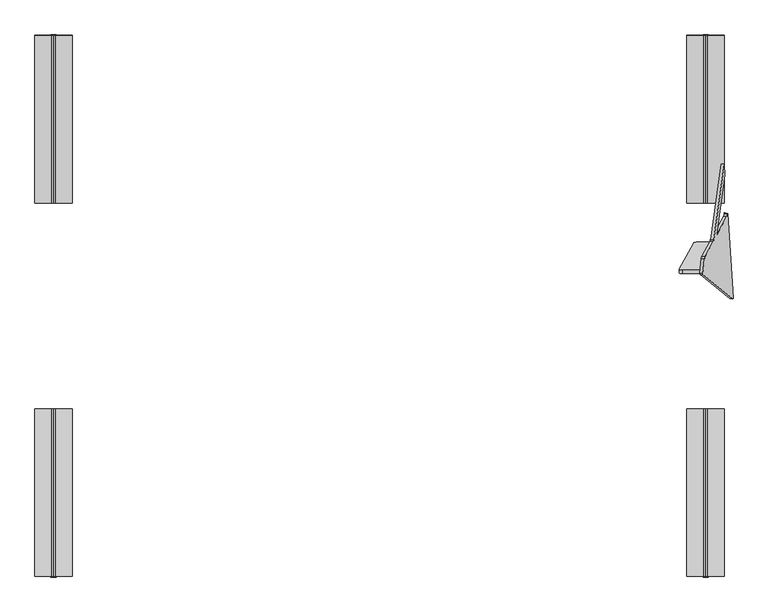
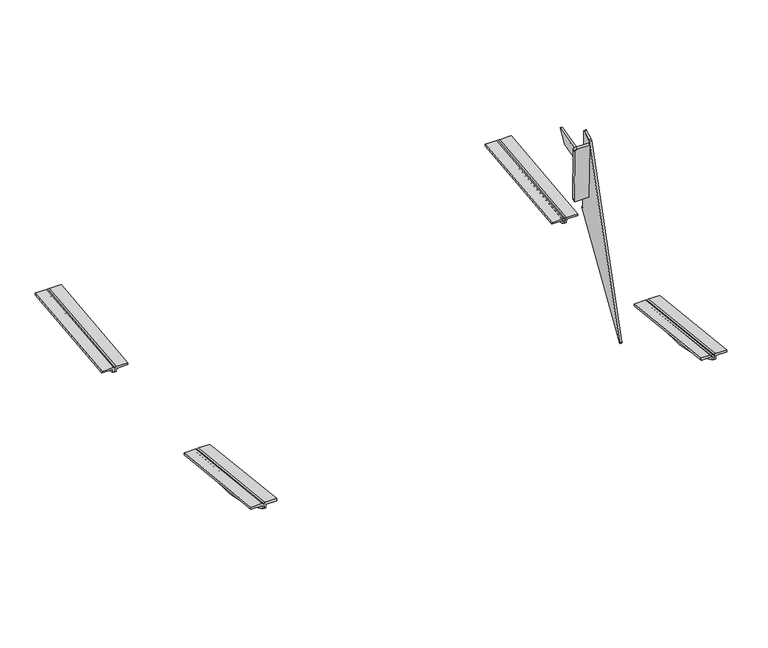
"""IFC4 building model written with IfcOpenShell, lengths in millimetres: furniture geometry."""

from ifc_helpers import new_model, si_unit, frame, origin, place, context, project, spatial, polyline, circle_curve, ellipse_curve, source, transform, mapped, element, save
from ifc_brep_helpers import plane_surface, cylinder_surface, revolved_surface, advanced_brep


def furniture_2771ad0e(model_context):
    return source(origin(), model_context, "Body", "AdvancedBrep", [
        advanced_brep(
        [(755.0440225, 435.9391349, 757.8881152), (747.1427984, 438.3761853, 749.0639533), (783.301588, 504.0503298, 509.9877088), (791.2328587, 505.8544939, 503.3842593), (837.8982285, 505.7699279, 503.4518959), (800.2290396, 435.8572515, 757.9536062), (791.2451915, 514.5781595, 505.7825119), (783.3139208, 512.7739954, 512.3859614), (747.1551312, 447.0998509, 751.4622058), (755.0563553, 444.6628005, 760.2863677), (801.1905091, 444.5791971, 760.3532344), (838.8596981, 514.4918735, 505.8515241), (880.8633489, 372.9837171, 14.8944279), (881.5280215, 374.8544313, 11.2206695), (867.61676, 586.4127996, 409.5831251), (867.5760922, 586.0959716, 409.5484177), (866.2037222, 579.7045667, 413.8911008), (840.7909312, 532.5415564, 585.5886209), (840.7791117, 536.4031676, 590.6481205), (861.2994828, 682.484092, 590.4844823), (859.5577941, 708.971181, 640.3594265), (833.1217155, 520.6554233, 640.4138722), (832.2804167, 516.8962274, 643.2798026), (811.1014693, 477.5895695, 786.3705641), (810.120629, 472.7104158, 789.0752934), (806.2223905, 436.6873001, 778.499374), (806.2060941, 433.797321, 774.9426086), (872.9871313, 374.0891443, 14.0323223), (798.3298764, 434.9027483, 774.080503), (798.3461729, 437.7927273, 777.6372684), (802.2444113, 473.815843, 788.2131877), (803.2252516, 478.6949968, 785.5084585), (824.4041991, 518.0016547, 642.417697), (825.2454978, 521.7608506, 639.5517665), (851.6815764, 710.0766083, 639.4973209), (853.3932206, 684.0464283, 590.4827322), (832.653384, 536.4031676, 590.6481205), (832.6652035, 532.5415564, 585.5886209), (858.0779945, 579.7045667, 413.8911008), (859.4503645, 586.0959716, 409.5484177), (859.704087, 588.0726289, 409.7649535), (873.6518039, 375.9598585, 10.3585639)],
        [
            (0, 1, circle_curve(frame((755.0590458, 438.0597422, 750.1743095), z_axis=(-0.0013631459484884575, -0.9642258427672699, -0.26507860338562134), x_axis=(-0.14431455675225047, -0.2621142782788855, 0.9541852093968658)), 8.0)),
            (1, 2),
            (2, 3, circle_curve(frame((791.2178354, 503.7338866, 511.098065), z_axis=(-0.0013631459484884575, -0.9642258427672699, -0.26507860338562134), x_axis=(-0.14431455675225047, -0.2621142782788855, 0.9541852093968658)), 8.0)),
            (3, 4),
            (4, 5),
            (5, 0),
            (6, 7, circle_curve(frame((791.2301682, 512.4575522, 513.4963176), z_axis=(0.0013631459484884575, 0.9642258427672699, 0.26507860338562134), x_axis=(-0.14431455675225047, -0.2621142782788855, 0.9541852093968658)), 8.0)),
            (7, 8),
            (8, 9, circle_curve(frame((755.0713786, 446.7834078, 752.572562), z_axis=(0.0013631459484884575, 0.9642258427672699, 0.26507860338562134), x_axis=(-0.14431455675225047, -0.2621142782788855, 0.9541852093968658)), 8.0)),
            (9, 10),
            (10, 11),
            (11, 6),
            (0, 9),
            (8, 1),
            (7, 2),
            (6, 3),
            (11, 4),
            (5, 10),
            (12, 13, circle_curve(frame((881.4454916, 376.929862, 14.6358678), z_axis=(0.9845272064646956, -0.13817840671662612, 0.10776320173453142), x_axis=(0.10809843818608307, -0.005098251508800454, -0.9941271224009949)), 3.9972244)),
            (13, 14),
            (14, 15),
            (15, 16, ellipse_curve(frame((866.8370673, 585.4474378, 415.4685906), z_axis=(-0.9845272064646956, 0.13817840671662626, -0.10776320173453155), x_axis=(-0.17523178858535526, -0.7763454442639398, 0.6054598016712617)), 6.049187, 5.9555892)),
            (16, 17),
            (17, 18, ellipse_curve(frame((841.2163098, 536.3986868, 586.648123), z_axis=(-0.9845272064646956, 0.13817840671662626, -0.10776320173453155), x_axis=(-0.17523178858535526, -0.7763454442639398, 0.6054598016712617)), 4.0628639, 4.0)),
            (18, 19),
            (19, 20),
            (20, 21),
            (21, 22, circle_curve(frame((832.6950066, 520.7164752, 644.3905783), z_axis=(-0.9845272064646956, 0.13817840671662612, -0.10776320173453142), x_axis=(0.10809843818608307, -0.005098251508800454, -0.9941271224009949)), 4.0)),
            (22, 23),
            (23, 24, circle_curve(frame((810.6868794, 473.7693218, 785.2597883), z_axis=(0.9845272064646956, -0.13817840671662612, 0.10776320173453142), x_axis=(0.10809843818608307, -0.005098251508800454, -0.9941271224009949)), 4.0)),
            (24, 25),
            (25, 26, circle_curve(frame((806.788641, 437.7462061, 774.683869), z_axis=(0.9845272064646956, -0.13817840671662612, 0.10776320173453142), x_axis=(0.10809843818608307, -0.005098251508800454, -0.9941271224009949)), 4.0)),
            (26, 12),
            (27, 28),
            (28, 29, circle_curve(frame((798.9124233, 438.8516333, 773.8217633), z_axis=(-0.9845272064646956, 0.13817840671662612, -0.10776320173453142), x_axis=(0.10809843818608307, -0.005098251508800454, -0.9941271224009949)), 4.0)),
            (29, 30),
            (30, 31, circle_curve(frame((802.8106618, 474.8747491, 784.3976827), z_axis=(-0.9845272064646956, 0.13817840671662612, -0.10776320173453142), x_axis=(0.10809843818608307, -0.005098251508800454, -0.9941271224009949)), 4.0)),
            (31, 32),
            (32, 33, circle_curve(frame((824.8187889, 521.8219024, 643.5284727), z_axis=(0.9845272064646956, -0.13817840671662612, 0.10776320173453142), x_axis=(0.10809843818608307, -0.005098251508800454, -0.9941271224009949)), 4.0)),
            (33, 34),
            (34, 35),
            (35, 36),
            (36, 37, ellipse_curve(frame((833.0905821, 536.3986868, 586.648123), z_axis=(0.9845272064646956, -0.13817840671662626, 0.10776320173453155), x_axis=(-0.17523178858535526, -0.7763454442639398, 0.6054598016712617)), 4.0628639, 4.0)),
            (37, 38),
            (38, 39, ellipse_curve(frame((858.7113396, 585.4474378, 415.4685906), z_axis=(0.9845272064646956, -0.13817840671662626, 0.10776320173453155), x_axis=(-0.17523178858535526, -0.7763454442639398, 0.6054598016712617)), 6.049187, 5.9555892)),
            (39, 40),
            (40, 41),
            (41, 27, circle_curve(frame((873.5692739, 378.0352893, 13.7737622), z_axis=(-0.9845272064646956, 0.13817840671662612, -0.10776320173453142), x_axis=(0.10809843818608307, -0.005098251508800454, -0.9941271224009949)), 3.9972244)),
            (25, 29),
            (28, 26),
            (27, 12),
            (41, 13),
            (40, 14),
            (34, 20),
            (19, 35),
            (33, 21),
            (32, 22),
            (31, 23),
            (30, 24),
            (17, 37),
            (36, 18),
            (39, 15),
            (38, 16),
        ],
        [
            plane_surface(frame((753.9045293, 435.9628279, 757.8077911), z_axis=(-0.001363145948488416, -0.9642258427672699, -0.26507860338562156), x_axis=(-0.9895309245003536, 0.03955539485439854, -0.13879452509154708))),
            plane_surface(frame((753.9168621, 444.6864935, 760.2060437), z_axis=(0.001363145948488416, 0.9642258427672699, 0.26507860338562156), x_axis=(0.9895309245003536, -0.03955539485439854, 0.13879452509154708))),
            cylinder_surface(frame((755.0713786, 446.7834078, 752.572562), z_axis=(-0.0013631459484884575, -0.9642258427672699, -0.26507860338562134), x_axis=(-0.14431455675225047, -0.2621142782788855, 0.9541852093968658)), 8.0),
            plane_surface(frame((747.1427984, 438.3761853, 749.0639533), z_axis=(-0.9895309245003536, 0.03955539485439846, -0.1387945250915483), x_axis=(0.001363145948487992, 0.9642258427672696, 0.26507860338562167))),
            cylinder_surface(frame((791.2301682, 512.4575522, 513.4963176), z_axis=(-0.0013631459484884575, -0.9642258427672699, -0.26507860338562134), x_axis=(-0.14431455675225047, -0.2621142782788855, 0.9541852093968658)), 8.0),
            plane_surface(frame((791.2328587, 505.8544939, 503.3842593), z_axis=(0.001877909900275728, 0.26507591396566405, -0.9642257169821152), x_axis=(0.001363145948487992, 0.9642258427672696, 0.26507860338562167))),
            plane_surface(frame((803.1542615, 435.8519505, 757.957846), z_axis=(-0.001877909900271324, -0.26507591396566405, 0.9642257169821152), x_axis=(0.001363145948487992, 0.9642258427672696, 0.26507860338562167))),
            plane_surface(frame((881.8775853, 376.9094832, 10.6621186), z_axis=(0.9845272064646956, -0.13817840671662626, 0.10776320173453155), x_axis=(0.1379163057529902, 0.9903942324896726, 0.009917502641294951))),
            plane_surface(frame((874.0013676, 378.0149104, 9.800013), z_axis=(-0.9845272064646956, 0.13817840671662626, -0.10776320173453155), x_axis=(-0.1379163057529902, -0.9903942324896726, -0.009917502641294951))),
            cylinder_surface(frame((798.9124233, 438.8516333, 773.8217633), z_axis=(0.9845272064646956, -0.13817840671662612, 0.10776320173453142), x_axis=(0.10809843818608307, -0.005098251508800454, -0.9941271224009949)), 4.0),
            plane_surface(frame((806.2060941, 433.797321, 774.9426086), z_axis=(-0.14563671969423442, -0.9872212562883779, 0.06468490557386727), x_axis=(-0.9845272064646956, 0.13817840671662243, -0.10776320173453661))),
            cylinder_surface(frame((873.5692739, 378.0352893, 13.7737622), z_axis=(0.9845272064646956, -0.13817840671662612, 0.10776320173453142), x_axis=(0.10809843818608307, -0.005098251508800454, -0.9941271224009949)), 3.9972244),
            plane_surface(frame((881.5280215, 374.8544313, 11.2206695), z_axis=(0.17249891043919588, 0.872425040531916, -0.45729495355861444), x_axis=(-0.9845272064646962, 0.1381784067166225, -0.10776320173453191))),
            plane_surface(frame((859.5577941, 708.971181, 640.3594265), z_axis=(-0.10667723092490307, 0.015262962519211876, 0.9941765488972932), x_axis=(-0.9845272064646944, 0.13817840671663073, -0.10776320173453648))),
            revolved_surface(polyline([(825.251182622492, 521.8015093982107, 639.5519642070847), (833.1274003424797, 520.696082134896, 640.4140698284336)]), (824.8187889, 521.8219024, 643.5284727), (-0.9845272064646956, 0.13817840671662612, -0.10776320173453142)),
            plane_surface(frame((832.2804167, 516.8962274, 643.2798026), z_axis=(0.10364746347883977, 0.9550619256550327, 0.2776939348968641), x_axis=(-0.9845272064646956, 0.13817840671662243, -0.10776320173453661))),
            cylinder_surface(frame((802.8106618, 474.8747491, 784.3976827), z_axis=(0.9845272064646956, -0.13817840671662612, 0.10776320173453142), x_axis=(0.10809843818608307, -0.005098251508800454, -0.9941271224009949)), 4.0),
            plane_surface(frame((810.120629, 472.7104158, 789.0752934), z_axis=(-0.1415626146882469, -0.26472650457534347, 0.9538762518785903), x_axis=(-0.9845272064646956, 0.13817840671662243, -0.10776320173453661))),
            revolved_surface(polyline([(832.3786391920241, 540.3986868, 586.648123), (841.9282527079758, 540.3986868, 586.648123)]), (919.9232064, 536.3986868, 586.648123), (-1.0, 0.0, 0.0)),
            plane_surface(frame((812.6404131, 536.4031676, 590.6481205), z_axis=(0.0, -0.0011201877232388628, -0.9999993725895355), x_axis=(1.0, 0.0, 0.0))),
            plane_surface(frame((812.6404131, 992.0575716, 454.0200604), z_axis=(0.0, -0.10889498268372896, 0.994053259511939), x_axis=(1.0, 0.0, 0.0))),
            revolved_surface(polyline([(857.6513297425026, 591.403027, 415.4685906), (867.8970771574973, 591.403027, 415.4685906)]), (919.9232064, 585.4474378, 415.4685906), (-1.0, 0.0, 0.0)),
            plane_surface(frame((812.6404131, 579.7045667, 413.8911008), z_axis=(0.0, 0.9642826121585463, 0.2648755252730813), x_axis=(1.0, 0.0, 0.0))),
        ],
        [
            (0, [[1, 2, 3, 4, 5, 6]]),
            (1, [[7, 8, 9, 10, 11, 12]]),
            (2, [[-1, 13, -9, 14]]),
            (3, [[-2, -14, -8, 15]]),
            (4, [[-3, -15, -7, 16]]),
            (5, [[-16, -12, 17, -4]]),
            (6, [[-13, -6, 18, -10]]),
            (7, [[19, 20, 21, 22, 23, 24, 25, 26, 27, 28, 29, 30, 31, 32, 33]]),
            (8, [[34, 35, 36, 37, 38, 39, 40, 41, 42, 43, 44, 45, 46, 47, 48], [-5, -17, -11, -18]]),
            (9, [[-32, 49, -35, 50]]),
            (10, [[-33, -50, -34, 51]]),
            (11, [[-19, -51, -48, 52]]),
            (12, [[-52, -47, 53, -20]]),
            (12, [[54, -26, 55, -41]]),
            (13, [[-27, -54, -40, 56]]),
            (14, [[-28, -56, -39, 57]]),
            (15, [[-29, -57, -38, 58]]),
            (16, [[-30, -58, -37, 59]]),
            (17, [[-31, -59, -36, -49]]),
            (18, [[60, -43, 61, -24]]),
            (19, [[-61, -42, -55, -25]]),
            (20, [[62, -21, -53, -46]]),
            (21, [[-62, -45, 63, -22]]),
            (22, [[-60, -23, -63, -44]]),
        ],
    ),
        advanced_brep(
        [(812.5430123, 614.3955054, 347.1443157), (812.5430123, 1032.0535086, 392.7020678), (812.5430123, 1030.2988015, 408.7964286), (812.5430123, 612.6384188, 363.2605016), (806.5474184, 1032.0535086, 392.7020678), (806.5474184, 614.3955054, 347.1443157), (806.5474184, 613.1170209, 358.8707122), (806.5474184, 1030.7774035, 404.4066392), (805.5963377, 1030.6743217, 405.3521172), (766.5577736, 1030.6743217, 405.3521172), (766.5577736, 1029.8652657, 412.772865), (808.5430123, 1029.8652657, 412.772865), (808.5430123, 612.2048831, 367.236938), (766.5577736, 612.2048831, 367.236938), (766.5577736, 613.013939, 359.8161902), (805.5963377, 613.013939, 359.8161902)],
        [
            (0, 1, circle_curve(frame((812.5430123, 770.7220857, 851.2475639), z_axis=(1.0, 0.0, 0.0), x_axis=(0.0, 1.0, 0.0)), 527.7860216)),
            (1, 2),
            (2, 3),
            (3, 0),
            (4, 5, circle_curve(frame((806.5474184, 770.7220857, 851.2475639), z_axis=(-1.0, 0.0, 0.0), x_axis=(0.0, 1.0, 0.0)), 527.7860216)),
            (5, 6),
            (6, 7),
            (7, 4),
            (1, 4),
            (7, 8, circle_curve(frame((805.5963377, 1030.7774035, 404.4066392), z_axis=(0.0, -0.9941091089617909, -0.10838394474826071), x_axis=(0.0, 0.10838394474826071, -0.9941091089617909)), 0.9510807)),
            (8, 9),
            (9, 10),
            (10, 11),
            (11, 2, circle_curve(frame((808.5430123, 1030.2988015, 408.7964286), z_axis=(0.0, 0.9941091089617909, 0.10838394474826071), x_axis=(0.0, 0.10838394474826071, -0.9941091089617909)), 4.0)),
            (0, 5),
            (3, 12, circle_curve(frame((808.5430123, 612.6384188, 363.2605016), z_axis=(0.0, -0.9941091089617909, -0.10838394474826071), x_axis=(0.0, 0.10838394474826071, -0.9941091089617909)), 4.0)),
            (12, 13),
            (13, 14),
            (14, 15),
            (15, 6, circle_curve(frame((805.5963377, 613.1170209, 358.8707122), z_axis=(0.0, 0.9941091089617909, 0.10838394474826071), x_axis=(0.0, 0.10838394474826071, -0.9941091089617909)), 0.9510807)),
            (9, 14),
            (13, 10),
            (8, 15),
            (11, 12),
        ],
        [
            plane_surface(frame((812.5430123, 613.1510989, 358.5581456), z_axis=(1.0, 0.0, 0.0), x_axis=(0.0, -0.9941091089617913, -0.10838394474825762))),
            plane_surface(frame((806.5474184, 613.1510989, 358.5581456), z_axis=(-1.0, 0.0, 0.0), x_axis=(0.0, 0.9941091089617913, 0.10838394474825762))),
            plane_surface(frame((812.5430123, 1032.0535086, 392.7020678), z_axis=(0.0, 0.9941091089617909, 0.10838394474826071), x_axis=(-1.0, 0.0, 0.0))),
            cylinder_surface(frame((806.5474184, 770.7220857, 851.2475639), z_axis=(1.0, 0.0, 0.0), x_axis=(0.0, 1.0, 0.0)), 527.7860216),
            plane_surface(frame((812.5430123, 613.1510989, 358.5581456), z_axis=(0.0, -0.994109108961791, -0.10838394474826041), x_axis=(-1.0, 0.0, 0.0))),
            plane_surface(frame((766.5577736, 1030.6743217, 405.3521172), z_axis=(-1.0000000000000002, 0.0, 0.0), x_axis=(0.0, -0.994109108961791, -0.10838394474826069))),
            plane_surface(frame((805.5963377, 1030.6743217, 405.3521172), z_axis=(0.0, 0.10838394474826069, -0.994109108961791), x_axis=(0.0, -0.994109108961791, -0.10838394474826069))),
            revolved_surface(polyline([(805.5963377, 613.220102757714, 357.9252342105562), (805.5963377, 1030.8804854548553, 403.46116123677587)]), (805.5963377, 613.1170209, 358.8707122), (0.0, -0.9941091089617909, -0.10838394474826071)),
            cylinder_surface(frame((808.5430123, 612.6384188, 363.2605016), z_axis=(0.0, 0.9941091089617909, 0.10838394474826071), x_axis=(0.0, 0.10838394474826071, -0.9941091089617909)), 4.0),
            plane_surface(frame((766.5577736, 1029.8652657, 412.772865), z_axis=(0.0, -0.10838394474826069, 0.994109108961791), x_axis=(0.0, -0.994109108961791, -0.10838394474826069))),
        ],
        [
            (0, [[1, 2, 3, 4]]),
            (1, [[5, 6, 7, 8]]),
            (2, [[-2, 9, -8, 10, 11, 12, 13, 14]]),
            (3, [[-1, 15, -5, -9]]),
            (4, [[-6, -15, -4, 16, 17, 18, 19, 20]]),
            (5, [[-12, 21, -18, 22]]),
            (6, [[-11, 23, -19, -21]]),
            (7, [[-10, -7, -20, -23]]),
            (8, [[-14, 24, -16, -3]]),
            (9, [[-13, -22, -17, -24]]),
        ],
    ),
        advanced_brep(
        [(813.6175866, 1032.0535086, 392.7020678), (813.6175866, 614.3955054, 347.1443157), (813.6175866, 612.6552624, 363.1060105), (813.6175866, 1030.315645, 408.6419375), (819.6131806, 614.3955054, 347.1443157), (819.6131806, 1032.0535086, 392.7020678), (819.6131806, 1030.7774035, 404.4066392), (819.6131806, 613.1170209, 358.8707122), (817.6175866, 1029.8821093, 412.6183739), (859.6028254, 1029.8821093, 412.6183739), (859.6028254, 1030.6743217, 405.3521172), (820.5642613, 1030.6743217, 405.3521172), (820.5642613, 613.013939, 359.8161902), (859.6028254, 613.013939, 359.8161902), (859.6028254, 612.2217266, 367.0824469), (817.6175866, 612.2217266, 367.0824469)],
        [
            (0, 1, circle_curve(frame((813.6175866, 770.7220857, 851.2475639), z_axis=(-1.0, 0.0, 0.0), x_axis=(0.0, 1.0, 0.0)), 527.7860216)),
            (1, 2),
            (2, 3),
            (3, 0),
            (4, 5, circle_curve(frame((819.6131806, 770.7220857, 851.2475639), z_axis=(1.0, 0.0, 0.0), x_axis=(0.0, 1.0, 0.0)), 527.7860216)),
            (5, 6),
            (6, 7),
            (7, 4),
            (5, 0),
            (3, 8, circle_curve(frame((817.6175866, 1030.315645, 408.6419375), z_axis=(0.0, 0.9941091089617909, 0.10838394474826071), x_axis=(0.0, 0.10838394474826071, -0.9941091089617909)), 4.0)),
            (8, 9),
            (9, 10),
            (10, 11),
            (11, 6, circle_curve(frame((820.5642613, 1030.7774035, 404.4066392), z_axis=(0.0, -0.9941091089617909, -0.10838394474826071), x_axis=(0.0, 0.10838394474826071, -0.9941091089617909)), 0.9510807)),
            (4, 1),
            (7, 12, circle_curve(frame((820.5642613, 613.1170209, 358.8707122), z_axis=(0.0, 0.9941091089617909, 0.10838394474826071), x_axis=(0.0, 0.10838394474826071, -0.9941091089617909)), 0.9510807)),
            (12, 13),
            (13, 14),
            (14, 15),
            (15, 2, circle_curve(frame((817.6175866, 612.6552624, 363.1060105), z_axis=(0.0, -0.9941091089617909, -0.10838394474826071), x_axis=(0.0, 0.10838394474826071, -0.9941091089617909)), 4.0)),
            (9, 14),
            (13, 10),
            (12, 11),
            (15, 8),
        ],
        [
            plane_surface(frame((813.6175866, 1030.8114815, 404.0940726), z_axis=(-1.0, 0.0, 0.0), x_axis=(0.0, 0.10838394474826071, -0.9941091089617909))),
            plane_surface(frame((819.6131806, 1030.8114815, 404.0940726), z_axis=(1.0, 0.0, 0.0), x_axis=(0.0, -0.10838394474826071, 0.9941091089617909))),
            plane_surface(frame((813.6175866, 1030.8114815, 404.0940726), z_axis=(0.0, 0.9941091089617909, 0.10838394474826071), x_axis=(1.0, 0.0, 0.0))),
            cylinder_surface(frame((819.6131806, 770.7220857, 851.2475639), z_axis=(-1.0, 0.0, 0.0), x_axis=(0.0, 1.0, 0.0)), 527.7860216),
            plane_surface(frame((813.6175866, 614.3955054, 347.1443157), z_axis=(0.0, -0.994109108961791, -0.10838394474826041), x_axis=(1.0, 0.0, 0.0))),
            plane_surface(frame((859.6028254, 1029.8821093, 412.6183739), z_axis=(1.0000000000000002, 0.0, 0.0), x_axis=(0.0, -0.994109108961791, -0.10838394474826081))),
            plane_surface(frame((859.6028254, 1030.6743217, 405.3521172), z_axis=(0.0, 0.10838394474826064, -0.994109108961791), x_axis=(0.0, -0.994109108961791, -0.10838394474826064))),
            revolved_surface(polyline([(820.5642613, 613.220102757714, 357.9252342105562), (820.5642613, 1030.8804854548553, 403.46116123677587)]), (820.5642613, 613.1170209, 358.8707122), (0.0, -0.9941091089617909, -0.10838394474826071)),
            cylinder_surface(frame((817.6175866, 612.6552624, 363.1060105), z_axis=(0.0, 0.9941091089617909, 0.10838394474826071), x_axis=(0.0, 0.10838394474826071, -0.9941091089617909)), 4.0),
            plane_surface(frame((817.6175866, 1029.8821093, 412.6183739), z_axis=(0.0, -0.10838394474826081, 0.994109108961791), x_axis=(0.0, -0.994109108961791, -0.10838394474826081))),
        ],
        [
            (0, [[1, 2, 3, 4]]),
            (1, [[5, 6, 7, 8]]),
            (2, [[-6, 9, -4, 10, 11, 12, 13, 14]]),
            (3, [[-1, -9, -5, 15]]),
            (4, [[-2, -15, -8, 16, 17, 18, 19, 20]]),
            (5, [[-12, 21, -18, 22]]),
            (6, [[-13, -22, -17, 23]]),
            (7, [[-14, -23, -16, -7]]),
            (8, [[-10, -3, -20, 24]]),
            (9, [[-11, -24, -19, -21]]),
        ],
    ),
        advanced_brep(
        [(859.6028254, -318.9270883, 412.6183739), (817.6175866, -318.9270883, 412.6183739), (813.6175866, -319.360624, 408.6419375), (813.6175866, -319.8564605, 404.0940726), (813.6175866, -321.0984876, 392.7020678), (819.6131806, -321.0984876, 392.7020678), (819.6131806, -319.8223825, 404.4066392), (820.5642613, -319.7193007, 405.3521172), (859.6028254, -319.7193007, 405.3521172), (859.6028254, 98.7332944, 367.0824469), (859.6028254, 97.941082, 359.8161902), (820.5642613, 97.941082, 359.8161902), (819.6131806, 97.8380001, 358.8707122), (819.6131806, 96.5595156, 347.1443157), (813.6175866, 96.5595156, 347.1443157), (813.6175866, 97.8039221, 358.5581456), (813.6175866, 98.2997586, 363.1060105), (817.6175866, 98.7332944, 367.0824469)],
        [
            (0, 1),
            (1, 2, circle_curve(frame((817.6175866, -319.360624, 408.6419375), z_axis=(0.0, -0.9941091089617909, 0.10838394474826071), x_axis=(0.0, -0.10838394474826071, -0.9941091089617909)), 4.0)),
            (2, 3),
            (3, 4),
            (4, 5),
            (5, 6),
            (6, 7, circle_curve(frame((820.5642613, -319.8223825, 404.4066392), z_axis=(0.0, 0.9941091089617909, -0.10838394474826071), x_axis=(0.0, -0.10838394474826071, -0.9941091089617909)), 0.9510807)),
            (7, 8),
            (8, 0),
            (9, 10),
            (10, 11),
            (11, 12, circle_curve(frame((820.5642613, 97.8380001, 358.8707122), z_axis=(0.0, -0.9941091089617909, 0.10838394474826071), x_axis=(0.0, -0.10838394474826071, -0.9941091089617909)), 0.9510807)),
            (12, 13),
            (13, 14),
            (14, 15),
            (15, 16),
            (16, 17, circle_curve(frame((817.6175866, 98.2997586, 363.1060105), z_axis=(0.0, 0.9941091089617909, -0.10838394474826071), x_axis=(0.0, -0.10838394474826071, -0.9941091089617909)), 4.0)),
            (17, 9),
            (8, 10),
            (9, 0),
            (7, 11),
            (6, 12),
            (5, 13, circle_curve(frame((819.6131806, -59.7670647, 851.2475639), z_axis=(1.0, 0.0, 0.0), x_axis=(0.0, -1.0, 0.0)), 527.7860216)),
            (3, 15),
            (14, 4, circle_curve(frame((813.6175866, -59.7670647, 851.2475639), z_axis=(-1.0, 0.0, 0.0), x_axis=(0.0, -1.0, 0.0)), 527.7860216)),
            (2, 16),
            (1, 17),
        ],
        [
            plane_surface(frame((813.6175929, -318.9270883, 412.6183739), z_axis=(0.0, -0.9941091089617909, 0.10838394474826071), x_axis=(-1.0, 0.0, 0.0))),
            plane_surface(frame((813.6175929, 98.7332944, 367.0824469), z_axis=(0.0, 0.9941091089617909, -0.10838394474826071), x_axis=(1.0, 0.0, 0.0))),
            plane_surface(frame((859.6028254, -319.7193007, 405.3521172), z_axis=(1.0000000000000002, 0.0, 0.0), x_axis=(0.0, 0.994109108961791, -0.10838394474826066))),
            plane_surface(frame((820.5642613, -319.7193007, 405.3521172), z_axis=(0.0, -0.10838394474826066, -0.994109108961791), x_axis=(0.0, 0.994109108961791, -0.10838394474826066))),
            revolved_surface(polyline([(820.5642613, 97.73491824228601, 357.9252342105562), (820.5642613, -319.92546445485533, 403.46116123677587)]), (820.5642613, 97.8380001, 358.8707122), (0.0, 0.9941091089617909, -0.10838394474826071)),
            plane_surface(frame((819.6131806, -320.2027771, 400.9176199), z_axis=(1.0000000000000002, 0.0, 0.0), x_axis=(0.0, 0.994109108961791, -0.10838394474826066))),
            plane_surface(frame((813.6175866, -319.8564605, 404.0940726), z_axis=(-1.0000000000000002, 0.0, 0.0), x_axis=(0.0, 0.994109108961791, -0.10838394474826064))),
            plane_surface(frame((813.6175866, -319.360624, 408.6419375), z_axis=(-1.0000000000000002, 0.0, 0.0), x_axis=(0.0, 0.994109108961791, -0.10838394474826066))),
            cylinder_surface(frame((817.6175866, 98.2997586, 363.1060105), z_axis=(0.0, -0.9941091089617909, 0.10838394474826071), x_axis=(0.0, -0.10838394474826071, -0.9941091089617909)), 4.0),
            plane_surface(frame((859.6028254, -318.9270883, 412.6183739), z_axis=(0.0, 0.10838394474826066, 0.994109108961791), x_axis=(0.0, 0.994109108961791, -0.10838394474826066))),
            cylinder_surface(frame((819.6131806, -59.7670647, 851.2475639), z_axis=(-1.0, 0.0, 0.0), x_axis=(0.0, -1.0, 0.0)), 527.7860216),
        ],
        [
            (0, [[1, 2, 3, 4, 5, 6, 7, 8, 9]]),
            (1, [[10, 11, 12, 13, 14, 15, 16, 17, 18]]),
            (2, [[-9, 19, -10, 20]]),
            (3, [[-8, 21, -11, -19]]),
            (4, [[-7, 22, -12, -21]]),
            (5, [[-13, -22, -6, 23]]),
            (6, [[-4, 24, -15, 25]]),
            (7, [[-3, 26, -16, -24]]),
            (8, [[-2, 27, -17, -26]]),
            (9, [[-1, -20, -18, -27]]),
            (10, [[-25, -14, -23, -5]]),
        ],
    ),
        advanced_brep(
        [(766.5577736, -318.9102447, 412.772865), (766.5577736, -319.7193007, 405.3521172), (805.5963377, -319.7193007, 405.3521172), (806.5474184, -319.8223825, 404.4066392), (806.5474184, -321.0984876, 392.7020678), (812.5430123, -321.0984876, 392.7020678), (812.5430123, -319.8564605, 404.0940726), (812.5430123, -319.3437805, 408.7964286), (808.5430123, -318.9102447, 412.772865), (766.5577736, 98.750138, 367.236938), (808.5430123, 98.750138, 367.236938), (812.5430123, 98.3166022, 363.2605016), (812.5430123, 97.8039221, 358.5581456), (812.5430123, 96.5595156, 347.1443157), (806.5474184, 96.5595156, 347.1443157), (806.5474184, 97.8380001, 358.8707122), (805.5963377, 97.941082, 359.8161902), (766.5577736, 97.941082, 359.8161902)],
        [
            (0, 1),
            (1, 2),
            (2, 3, circle_curve(frame((805.5963377, -319.8223825, 404.4066392), z_axis=(0.0, 0.9941091089617909, -0.10838394474826071), x_axis=(0.0, -0.10838394474826071, -0.9941091089617909)), 0.9510807)),
            (3, 4),
            (4, 5),
            (5, 6),
            (6, 7),
            (7, 8, circle_curve(frame((808.5430123, -319.3437805, 408.7964286), z_axis=(0.0, -0.9941091089617909, 0.10838394474826071), x_axis=(0.0, -0.10838394474826071, -0.9941091089617909)), 4.0)),
            (8, 0),
            (9, 10),
            (10, 11, circle_curve(frame((808.5430123, 98.3166022, 363.2605016), z_axis=(0.0, 0.9941091089617909, -0.10838394474826071), x_axis=(0.0, -0.10838394474826071, -0.9941091089617909)), 4.0)),
            (11, 12),
            (12, 13),
            (13, 14),
            (14, 15),
            (15, 16, circle_curve(frame((805.5963377, 97.8380001, 358.8707122), z_axis=(0.0, -0.9941091089617909, 0.10838394474826071), x_axis=(0.0, -0.10838394474826071, -0.9941091089617909)), 0.9510807)),
            (16, 17),
            (17, 9),
            (0, 9),
            (17, 1),
            (16, 2),
            (15, 3),
            (14, 4, circle_curve(frame((806.5474184, -59.7670647, 851.2475639), z_axis=(-1.0, 0.0, 0.0), x_axis=(0.0, -1.0, 0.0)), 527.7860216)),
            (5, 13, circle_curve(frame((812.5430123, -59.7670647, 851.2475639), z_axis=(1.0, 0.0, 0.0), x_axis=(0.0, -1.0, 0.0)), 527.7860216)),
            (12, 6),
            (11, 7),
            (10, 8),
        ],
        [
            plane_surface(frame((766.5577736, -319.8423819, 404.223203), z_axis=(0.0, -0.9941091089617909, 0.10838394474826071), x_axis=(0.0, -0.10838394474826071, -0.9941091089617909))),
            plane_surface(frame((766.5577736, 97.8180007, 358.6872759), z_axis=(0.0, 0.9941091089617909, -0.10838394474826071), x_axis=(0.0, 0.10838394474826071, 0.9941091089617909))),
            plane_surface(frame((766.5577736, -318.9102447, 412.772865), z_axis=(-1.0000000000000002, 0.0, 0.0), x_axis=(0.0, 0.994109108961791, -0.10838394474826066))),
            plane_surface(frame((766.5577736, -319.7193007, 405.3521172), z_axis=(0.0, -0.10838394474826069, -0.994109108961791), x_axis=(0.0, 0.994109108961791, -0.10838394474826069))),
            revolved_surface(polyline([(805.5963377, 97.73491824228601, 357.9252342105562), (805.5963377, -319.92546445485533, 403.46116123677587)]), (805.5963377, 97.8380001, 358.8707122), (0.0, 0.9941091089617909, -0.10838394474826071)),
            plane_surface(frame((806.5474184, -319.8223825, 404.4066392), z_axis=(-1.0000000000000002, 0.0, 0.0), x_axis=(0.0, 0.994109108961791, -0.10838394474826064))),
            plane_surface(frame((812.5430123, -320.2027771, 400.9176199), z_axis=(1.0000000000000002, 0.0, 0.0), x_axis=(0.0, 0.994109108961791, -0.10838394474826066))),
            plane_surface(frame((812.5430123, -319.8564605, 404.0940726), z_axis=(1.0000000000000002, 0.0, 0.0), x_axis=(0.0, 0.994109108961791, -0.10838394474826066))),
            cylinder_surface(frame((808.5430123, 98.3166022, 363.2605016), z_axis=(0.0, -0.9941091089617909, 0.10838394474826071), x_axis=(0.0, -0.10838394474826071, -0.9941091089617909)), 4.0),
            plane_surface(frame((808.5430123, -318.9102447, 412.772865), z_axis=(0.0, 0.10838394474826066, 0.994109108961791), x_axis=(0.0, 0.994109108961791, -0.10838394474826066))),
            cylinder_surface(frame((806.5474184, -59.7670647, 851.2475639), z_axis=(1.0, 0.0, 0.0), x_axis=(0.0, -1.0, 0.0)), 527.7860216),
        ],
        [
            (0, [[1, 2, 3, 4, 5, 6, 7, 8, 9]]),
            (1, [[10, 11, 12, 13, 14, 15, 16, 17, 18]]),
            (2, [[-1, 19, -18, 20]]),
            (3, [[-2, -20, -17, 21]]),
            (4, [[-3, -21, -16, 22]]),
            (5, [[-4, -22, -15, 23]]),
            (6, [[-6, 24, -13, 25]]),
            (7, [[-7, -25, -12, 26]]),
            (8, [[-8, -26, -11, 27]]),
            (9, [[-9, -27, -10, -19]]),
            (10, [[-24, -5, -23, -14]]),
        ],
    ),
        advanced_brep(
        [(-859.6028254, -318.8982426, 412.8829495), (-859.6028254, -319.7193007, 405.3521172), (-820.5642613, -319.7193007, 405.3521172), (-819.6131806, -319.8223825, 404.4066392), (-819.6131806, -321.0984876, 392.7020678), (-813.6175866, -321.0984876, 392.7020678), (-813.6175866, -319.8564605, 404.0940726), (-813.6175866, -319.3317784, 408.9065131), (-817.6175866, -318.8982426, 412.8829495), (-859.6028254, 98.76214, 367.3470225), (-817.6175866, 98.76214, 367.3470225), (-813.6175866, 98.3286043, 363.3705861), (-813.6175866, 97.8039221, 358.5581456), (-813.6175866, 96.5595156, 347.1443157), (-819.6131806, 96.5595156, 347.1443157), (-819.6131806, 97.8380001, 358.8707122), (-820.5642613, 97.941082, 359.8161902), (-859.6028254, 97.941082, 359.8161902)],
        [
            (0, 1),
            (1, 2),
            (2, 3, circle_curve(frame((-820.5642613, -319.8223825, 404.4066392), z_axis=(0.0, 0.9941091089617909, -0.10838394474826071), x_axis=(0.0, -0.10838394474826071, -0.9941091089617909)), 0.9510807)),
            (3, 4),
            (4, 5),
            (5, 6),
            (6, 7),
            (7, 8, circle_curve(frame((-817.6175866, -319.3317784, 408.9065131), z_axis=(0.0, -0.9941091089617909, 0.10838394474826071), x_axis=(0.0, -0.10838394474826071, -0.9941091089617909)), 4.0)),
            (8, 0),
            (9, 10),
            (10, 11, circle_curve(frame((-817.6175866, 98.3286043, 363.3705861), z_axis=(0.0, 0.9941091089617909, -0.10838394474826071), x_axis=(0.0, -0.10838394474826071, -0.9941091089617909)), 4.0)),
            (11, 12),
            (12, 13),
            (13, 14),
            (14, 15),
            (15, 16, circle_curve(frame((-820.5642613, 97.8380001, 358.8707122), z_axis=(0.0, -0.9941091089617909, 0.10838394474826071), x_axis=(0.0, -0.10838394474826071, -0.9941091089617909)), 0.9510807)),
            (16, 17),
            (17, 9),
            (0, 9),
            (17, 1),
            (16, 2),
            (15, 3),
            (14, 4, circle_curve(frame((-819.6131806, -59.7670647, 851.2475639), z_axis=(-1.0, 0.0, 0.0), x_axis=(0.0, -1.0, 0.0)), 527.7860216)),
            (5, 13, circle_curve(frame((-813.6175866, -59.7670647, 851.2475639), z_axis=(1.0, 0.0, 0.0), x_axis=(0.0, -1.0, 0.0)), 527.7860216)),
            (12, 6),
            (11, 7),
            (10, 8),
        ],
        [
            plane_surface(frame((-859.6028254, -319.8423819, 404.223203), z_axis=(0.0, -0.9941091089617909, 0.10838394474826071), x_axis=(0.0, -0.10838394474826071, -0.9941091089617909))),
            plane_surface(frame((-859.6028254, 97.8180007, 358.6872759), z_axis=(0.0, 0.9941091089617909, -0.10838394474826071), x_axis=(0.0, 0.10838394474826071, 0.9941091089617909))),
            plane_surface(frame((-859.6028254, -318.8982426, 412.8829495), z_axis=(-1.0000000000000002, 0.0, 0.0), x_axis=(0.0, 0.994109108961791, -0.10838394474826066))),
            plane_surface(frame((-859.6028254, -319.7193007, 405.3521172), z_axis=(0.0, -0.10838394474826069, -0.994109108961791), x_axis=(0.0, 0.994109108961791, -0.10838394474826069))),
            revolved_surface(polyline([(-820.5642613, 97.73491824228601, 357.9252342105562), (-820.5642613, -319.92546445485533, 403.46116123677587)]), (-820.5642613, 97.8380001, 358.8707122), (0.0, 0.9941091089617909, -0.10838394474826071)),
            plane_surface(frame((-819.6131806, -319.8223825, 404.4066392), z_axis=(-1.0000000000000002, 0.0, 0.0), x_axis=(0.0, 0.994109108961791, -0.10838394474826064))),
            plane_surface(frame((-813.6175866, -320.2027771, 400.9176199), z_axis=(1.0000000000000002, 0.0, 0.0), x_axis=(0.0, 0.994109108961791, -0.10838394474826066))),
            plane_surface(frame((-813.6175866, -319.8564605, 404.0940726), z_axis=(1.0000000000000002, 0.0, 0.0), x_axis=(0.0, 0.994109108961791, -0.10838394474826066))),
            cylinder_surface(frame((-817.6175866, 98.3286043, 363.3705861), z_axis=(0.0, -0.9941091089617909, 0.10838394474826071), x_axis=(0.0, -0.10838394474826071, -0.9941091089617909)), 4.0),
            plane_surface(frame((-817.6175866, -318.8982426, 412.8829495), z_axis=(0.0, 0.10838394474826066, 0.994109108961791), x_axis=(0.0, 0.994109108961791, -0.10838394474826066))),
            cylinder_surface(frame((-819.6131806, -59.7670647, 851.2475639), z_axis=(1.0, 0.0, 0.0), x_axis=(0.0, -1.0, 0.0)), 527.7860216),
        ],
        [
            (0, [[1, 2, 3, 4, 5, 6, 7, 8, 9]]),
            (1, [[10, 11, 12, 13, 14, 15, 16, 17, 18]]),
            (2, [[-1, 19, -18, 20]]),
            (3, [[-2, -20, -17, 21]]),
            (4, [[-3, -21, -16, 22]]),
            (5, [[-4, -22, -15, 23]]),
            (6, [[-6, 24, -13, 25]]),
            (7, [[-7, -25, -12, 26]]),
            (8, [[-8, -26, -11, 27]]),
            (9, [[-9, -27, -10, -19]]),
            (10, [[-24, -5, -23, -14]]),
        ],
    ),
        advanced_brep(
        [(-812.5430123, 96.5595156, 347.1443157), (-812.5430123, -321.0984876, 392.7020678), (-812.5430123, -319.3233644, 408.9836866), (-812.5430123, 98.3370182, 363.4477596), (-806.5474184, -321.0984876, 392.7020678), (-806.5474184, 96.5595156, 347.1443157), (-806.5474184, 97.8380001, 358.8707122), (-806.5474184, -319.8223825, 404.4066392), (-805.5963377, -319.7193007, 405.3521172), (-766.5577736, -319.7193007, 405.3521172), (-766.5577736, -318.8898286, 412.9601231), (-808.5430123, -318.8898286, 412.9601231), (-808.5430123, 98.770554, 367.4241961), (-766.5577736, 98.770554, 367.4241961), (-766.5577736, 97.941082, 359.8161902), (-805.5963377, 97.941082, 359.8161902)],
        [
            (0, 1, circle_curve(frame((-812.5430123, -59.7670647, 851.2475639), z_axis=(-1.0, 0.0, 0.0), x_axis=(0.0, -1.0, 0.0)), 527.7860216)),
            (1, 2),
            (2, 3),
            (3, 0),
            (4, 5, circle_curve(frame((-806.5474184, -59.7670647, 851.2475639), z_axis=(1.0, 0.0, 0.0), x_axis=(0.0, -1.0, 0.0)), 527.7860216)),
            (5, 6),
            (6, 7),
            (7, 4),
            (1, 4),
            (7, 8, circle_curve(frame((-805.5963377, -319.8223825, 404.4066392), z_axis=(0.0, 0.9941091089617909, -0.10838394474826071), x_axis=(0.0, -0.10838394474826071, -0.9941091089617909)), 0.9510807)),
            (8, 9),
            (9, 10),
            (10, 11),
            (11, 2, circle_curve(frame((-808.5430123, -319.3233644, 408.9836866), z_axis=(0.0, -0.9941091089617909, 0.10838394474826071), x_axis=(0.0, -0.10838394474826071, -0.9941091089617909)), 4.0)),
            (0, 5),
            (3, 12, circle_curve(frame((-808.5430123, 98.3370182, 363.4477596), z_axis=(0.0, 0.9941091089617909, -0.10838394474826071), x_axis=(0.0, -0.10838394474826071, -0.9941091089617909)), 4.0)),
            (12, 13),
            (13, 14),
            (14, 15),
            (15, 6, circle_curve(frame((-805.5963377, 97.8380001, 358.8707122), z_axis=(0.0, -0.9941091089617909, 0.10838394474826071), x_axis=(0.0, -0.10838394474826071, -0.9941091089617909)), 0.9510807)),
            (9, 14),
            (13, 10),
            (8, 15),
            (11, 12),
        ],
        [
            plane_surface(frame((-812.5430123, 97.8039221, 358.5581456), z_axis=(-1.0, 0.0, 0.0), x_axis=(0.0, 0.9941091089617913, -0.10838394474825762))),
            plane_surface(frame((-806.5474184, 97.8039221, 358.5581456), z_axis=(1.0, 0.0, 0.0), x_axis=(0.0, -0.9941091089617913, 0.10838394474825762))),
            plane_surface(frame((-812.5430123, -321.0984876, 392.7020678), z_axis=(0.0, -0.9941091089617909, 0.10838394474826071), x_axis=(1.0, 0.0, 0.0))),
            cylinder_surface(frame((-806.5474184, -59.7670647, 851.2475639), z_axis=(-1.0, 0.0, 0.0), x_axis=(0.0, -1.0, 0.0)), 527.7860216),
            plane_surface(frame((-812.5430123, 97.8039221, 358.5581456), z_axis=(0.0, 0.9941091089617916, -0.10838394474825458), x_axis=(1.0, 0.0, 0.0))),
            plane_surface(frame((-766.5577736, -319.7193007, 405.3521172), z_axis=(1.0000000000000002, 0.0, 0.0), x_axis=(0.0, 0.994109108961791, -0.10838394474826069))),
            plane_surface(frame((-805.5963377, -319.7193007, 405.3521172), z_axis=(0.0, -0.10838394474826069, -0.994109108961791), x_axis=(0.0, 0.994109108961791, -0.10838394474826069))),
            revolved_surface(polyline([(-805.5963377, 97.73491824228601, 357.9252342105562), (-805.5963377, -319.92546445485533, 403.46116123677587)]), (-805.5963377, 97.8380001, 358.8707122), (0.0, 0.9941091089617909, -0.10838394474826071)),
            cylinder_surface(frame((-808.5430123, 98.3370182, 363.4477596), z_axis=(0.0, -0.9941091089617909, 0.10838394474826071), x_axis=(0.0, -0.10838394474826071, -0.9941091089617909)), 4.0),
            plane_surface(frame((-766.5577736, -318.8898286, 412.9601231), z_axis=(0.0, 0.10838394474826066, 0.994109108961791), x_axis=(0.0, 0.994109108961791, -0.10838394474826066))),
        ],
        [
            (0, [[1, 2, 3, 4]]),
            (1, [[5, 6, 7, 8]]),
            (2, [[-2, 9, -8, 10, 11, 12, 13, 14]]),
            (3, [[-1, 15, -5, -9]]),
            (4, [[-6, -15, -4, 16, 17, 18, 19, 20]]),
            (5, [[-12, 21, -18, 22]]),
            (6, [[-11, 23, -19, -21]]),
            (7, [[-10, -7, -20, -23]]),
            (8, [[-14, 24, -16, -3]]),
            (9, [[-13, -22, -17, -24]]),
        ],
    ),
        advanced_brep(
        [(-859.6028254, 1029.8532636, 412.8829495), (-817.6175866, 1029.8532636, 412.8829495), (-813.6175866, 1030.2867994, 408.9065131), (-813.6175866, 1030.8114815, 404.0940726), (-813.6175866, 1032.0535086, 392.7020678), (-819.6131806, 1032.0535086, 392.7020678), (-819.6131806, 1030.7774035, 404.4066392), (-820.5642613, 1030.6743217, 405.3521172), (-859.6028254, 1030.6743217, 405.3521172), (-859.6028254, 612.192881, 367.3470225), (-859.6028254, 613.013939, 359.8161902), (-820.5642613, 613.013939, 359.8161902), (-819.6131806, 613.1170209, 358.8707122), (-819.6131806, 614.3955054, 347.1443157), (-813.6175866, 614.3955054, 347.1443157), (-813.6175866, 613.1510989, 358.5581456), (-813.6175866, 612.6264167, 363.3705861), (-817.6175866, 612.192881, 367.3470225)],
        [
            (0, 1),
            (1, 2, circle_curve(frame((-817.6175866, 1030.2867994, 408.9065131), z_axis=(0.0, 0.9941091089617909, 0.10838394474826071), x_axis=(0.0, 0.10838394474826071, -0.9941091089617909)), 4.0)),
            (2, 3),
            (3, 4),
            (4, 5),
            (5, 6),
            (6, 7, circle_curve(frame((-820.5642613, 1030.7774035, 404.4066392), z_axis=(0.0, -0.9941091089617909, -0.10838394474826071), x_axis=(0.0, 0.10838394474826071, -0.9941091089617909)), 0.9510807)),
            (7, 8),
            (8, 0),
            (9, 10),
            (10, 11),
            (11, 12, circle_curve(frame((-820.5642613, 613.1170209, 358.8707122), z_axis=(0.0, 0.9941091089617909, 0.10838394474826071), x_axis=(0.0, 0.10838394474826071, -0.9941091089617909)), 0.9510807)),
            (12, 13),
            (13, 14),
            (14, 15),
            (15, 16),
            (16, 17, circle_curve(frame((-817.6175866, 612.6264167, 363.3705861), z_axis=(0.0, -0.9941091089617909, -0.10838394474826071), x_axis=(0.0, 0.10838394474826071, -0.9941091089617909)), 4.0)),
            (17, 9),
            (8, 10),
            (9, 0),
            (7, 11),
            (6, 12),
            (5, 13, circle_curve(frame((-819.6131806, 770.7220857, 851.2475639), z_axis=(-1.0, 0.0, 0.0), x_axis=(0.0, 1.0, 0.0)), 527.7860216)),
            (3, 15),
            (14, 4, circle_curve(frame((-813.6175866, 770.7220857, 851.2475639), z_axis=(1.0, 0.0, 0.0), x_axis=(0.0, 1.0, 0.0)), 527.7860216)),
            (2, 16),
            (1, 17),
        ],
        [
            plane_surface(frame((-813.6175866, 1029.8532636, 412.8829495), z_axis=(0.0, 0.9941091089617909, 0.10838394474826071), x_axis=(1.0, 0.0, 0.0))),
            plane_surface(frame((-813.6175866, 612.192881, 367.3470225), z_axis=(0.0, -0.9941091089617909, -0.10838394474826071), x_axis=(-1.0, 0.0, 0.0))),
            plane_surface(frame((-859.6028254, 1030.6743217, 405.3521172), z_axis=(-1.0000000000000002, 0.0, 0.0), x_axis=(0.0, -0.994109108961791, -0.10838394474826064))),
            plane_surface(frame((-820.5642613, 1030.6743217, 405.3521172), z_axis=(0.0, 0.10838394474826064, -0.994109108961791), x_axis=(0.0, -0.994109108961791, -0.10838394474826064))),
            revolved_surface(polyline([(-820.5642613, 613.220102757714, 357.9252342105562), (-820.5642613, 1030.8804854548553, 403.46116123677587)]), (-820.5642613, 613.1170209, 358.8707122), (0.0, -0.9941091089617909, -0.10838394474826071)),
            plane_surface(frame((-819.6131806, 1031.1577981, 400.9176199), z_axis=(-1.0000000000000002, 0.0, 0.0), x_axis=(0.0, -0.994109108961791, -0.10838394474826064))),
            plane_surface(frame((-813.6175866, 1030.8114815, 404.0940726), z_axis=(1.0000000000000002, 0.0, 0.0), x_axis=(0.0, -0.994109108961791, -0.10838394474826064))),
            plane_surface(frame((-813.6175866, 1030.2867994, 408.9065131), z_axis=(1.0000000000000002, 0.0, 0.0), x_axis=(0.0, -0.994109108961791, -0.10838394474826064))),
            cylinder_surface(frame((-817.6175866, 612.6264167, 363.3705861), z_axis=(0.0, 0.9941091089617909, 0.10838394474826071), x_axis=(0.0, 0.10838394474826071, -0.9941091089617909)), 4.0),
            plane_surface(frame((-859.6028254, 1029.8532636, 412.8829495), z_axis=(0.0, -0.10838394474826064, 0.994109108961791), x_axis=(0.0, -0.994109108961791, -0.10838394474826064))),
            cylinder_surface(frame((-819.6131806, 770.7220857, 851.2475639), z_axis=(1.0, 0.0, 0.0), x_axis=(0.0, 1.0, 0.0)), 527.7860216),
        ],
        [
            (0, [[1, 2, 3, 4, 5, 6, 7, 8, 9]]),
            (1, [[10, 11, 12, 13, 14, 15, 16, 17, 18]]),
            (2, [[-9, 19, -10, 20]]),
            (3, [[-8, 21, -11, -19]]),
            (4, [[-7, 22, -12, -21]]),
            (5, [[-13, -22, -6, 23]]),
            (6, [[-4, 24, -15, 25]]),
            (7, [[-3, 26, -16, -24]]),
            (8, [[-2, 27, -17, -26]]),
            (9, [[-1, -20, -18, -27]]),
            (10, [[-25, -14, -23, -5]]),
        ],
    ),
        advanced_brep(
        [(-766.5577736, 1029.8448496, 412.9601231), (-766.5577736, 1030.6743217, 405.3521172), (-805.5963377, 1030.6743217, 405.3521172), (-806.5474184, 1030.7774035, 404.4066392), (-806.5474184, 1032.0535086, 392.7020678), (-812.5430123, 1032.0535086, 392.7020678), (-812.5430123, 1030.8114815, 404.0940726), (-812.5430123, 1030.2783854, 408.9836866), (-808.5430123, 1029.8448496, 412.9601231), (-766.5577736, 612.184467, 367.4241961), (-808.5430123, 612.184467, 367.4241961), (-812.5430123, 612.6180028, 363.4477596), (-812.5430123, 613.1510989, 358.5581456), (-812.5430123, 614.3955054, 347.1443157), (-806.5474184, 614.3955054, 347.1443157), (-806.5474184, 613.1170209, 358.8707122), (-805.5963377, 613.013939, 359.8161902), (-766.5577736, 613.013939, 359.8161902)],
        [
            (0, 1),
            (1, 2),
            (2, 3, circle_curve(frame((-805.5963377, 1030.7774035, 404.4066392), z_axis=(0.0, -0.9941091089617909, -0.10838394474826071), x_axis=(0.0, 0.10838394474826071, -0.9941091089617909)), 0.9510807)),
            (3, 4),
            (4, 5),
            (5, 6),
            (6, 7),
            (7, 8, circle_curve(frame((-808.5430123, 1030.2783854, 408.9836866), z_axis=(0.0, 0.9941091089617909, 0.10838394474826071), x_axis=(0.0, 0.10838394474826071, -0.9941091089617909)), 4.0)),
            (8, 0),
            (9, 10),
            (10, 11, circle_curve(frame((-808.5430123, 612.6180028, 363.4477596), z_axis=(0.0, -0.9941091089617909, -0.10838394474826071), x_axis=(0.0, 0.10838394474826071, -0.9941091089617909)), 4.0)),
            (11, 12),
            (12, 13),
            (13, 14),
            (14, 15),
            (15, 16, circle_curve(frame((-805.5963377, 613.1170209, 358.8707122), z_axis=(0.0, 0.9941091089617909, 0.10838394474826071), x_axis=(0.0, 0.10838394474826071, -0.9941091089617909)), 0.9510807)),
            (16, 17),
            (17, 9),
            (0, 9),
            (17, 1),
            (16, 2),
            (15, 3),
            (14, 4, circle_curve(frame((-806.5474184, 770.7220857, 851.2475639), z_axis=(1.0, 0.0, 0.0), x_axis=(0.0, 1.0, 0.0)), 527.7860216)),
            (5, 13, circle_curve(frame((-812.5430123, 770.7220857, 851.2475639), z_axis=(-1.0, 0.0, 0.0), x_axis=(0.0, 1.0, 0.0)), 527.7860216)),
            (12, 6),
            (11, 7),
            (10, 8),
        ],
        [
            plane_surface(frame((-766.5577736, 1030.7974029, 404.223203), z_axis=(0.0, 0.9941091089617909, 0.10838394474826073), x_axis=(0.0, 0.10838394474826073, -0.9941091089617909))),
            plane_surface(frame((-766.5577736, 613.1370203, 358.6872759), z_axis=(0.0, -0.9941091089617909, -0.10838394474826073), x_axis=(0.0, -0.10838394474826073, 0.9941091089617909))),
            plane_surface(frame((-766.5577736, 1029.8448496, 412.9601231), z_axis=(1.0000000000000002, 0.0, 0.0), x_axis=(0.0, -0.994109108961791, -0.10838394474826064))),
            plane_surface(frame((-766.5577736, 1030.6743217, 405.3521172), z_axis=(0.0, 0.10838394474826064, -0.994109108961791), x_axis=(0.0, -0.994109108961791, -0.10838394474826064))),
            revolved_surface(polyline([(-805.5963377, 613.220102757714, 357.9252342105562), (-805.5963377, 1030.8804854548553, 403.46116123677587)]), (-805.5963377, 613.1170209, 358.8707122), (0.0, -0.9941091089617909, -0.10838394474826071)),
            plane_surface(frame((-806.5474184, 1030.7774035, 404.4066392), z_axis=(1.0000000000000002, 0.0, 0.0), x_axis=(0.0, -0.994109108961791, -0.10838394474826064))),
            plane_surface(frame((-812.5430123, 1031.1577981, 400.9176199), z_axis=(-1.0000000000000002, 0.0, 0.0), x_axis=(0.0, -0.994109108961791, -0.10838394474826081))),
            plane_surface(frame((-812.5430123, 1030.8114815, 404.0940726), z_axis=(-1.0000000000000002, 0.0, 0.0), x_axis=(0.0, -0.994109108961791, -0.10838394474826064))),
            cylinder_surface(frame((-808.5430123, 612.6180028, 363.4477596), z_axis=(0.0, 0.9941091089617909, 0.10838394474826071), x_axis=(0.0, 0.10838394474826071, -0.9941091089617909)), 4.0),
            plane_surface(frame((-808.5430123, 1029.8448496, 412.9601231), z_axis=(0.0, -0.10838394474826064, 0.994109108961791), x_axis=(0.0, -0.994109108961791, -0.10838394474826064))),
            cylinder_surface(frame((-806.5474184, 770.7220857, 851.2475639), z_axis=(-1.0, 0.0, 0.0), x_axis=(0.0, 1.0, 0.0)), 527.7860216),
        ],
        [
            (0, [[1, 2, 3, 4, 5, 6, 7, 8, 9]]),
            (1, [[10, 11, 12, 13, 14, 15, 16, 17, 18]]),
            (2, [[-1, 19, -18, 20]]),
            (3, [[-2, -20, -17, 21]]),
            (4, [[-3, -21, -16, 22]]),
            (5, [[-4, -22, -15, 23]]),
            (6, [[-6, 24, -13, 25]]),
            (7, [[-7, -25, -12, 26]]),
            (8, [[-8, -26, -11, 27]]),
            (9, [[-9, -27, -10, -19]]),
            (10, [[-24, -5, -23, -14]]),
        ],
    ),
    ])


if __name__ == "__main__":
    model = new_model("IFC4")
    model_context = context("Model", 3, world=origin())
    ifc_project = project(units=[si_unit("LENGTHUNIT", "METRE", prefix="MILLI")], contexts=[model_context])
    site = spatial("IfcSite", under=ifc_project)
    building = spatial("IfcBuilding", under=site)
    placement = place(None, origin())
    furniture_shape = furniture_2771ad0e(model_context)
    element("IfcFurniture", 1, at=placement, inside=building, context=model_context, shape_type="MappedRepresentation", body=[
        mapped(furniture_shape, transform((0.0, 0.0, 0.0), x_axis=(1.0, 0.0, 0.0), y_axis=(0.0, 1.0, 0.0), z_axis=(0.0, 0.0, 1.0))),
    ])
    save(model, "model.ifc")
